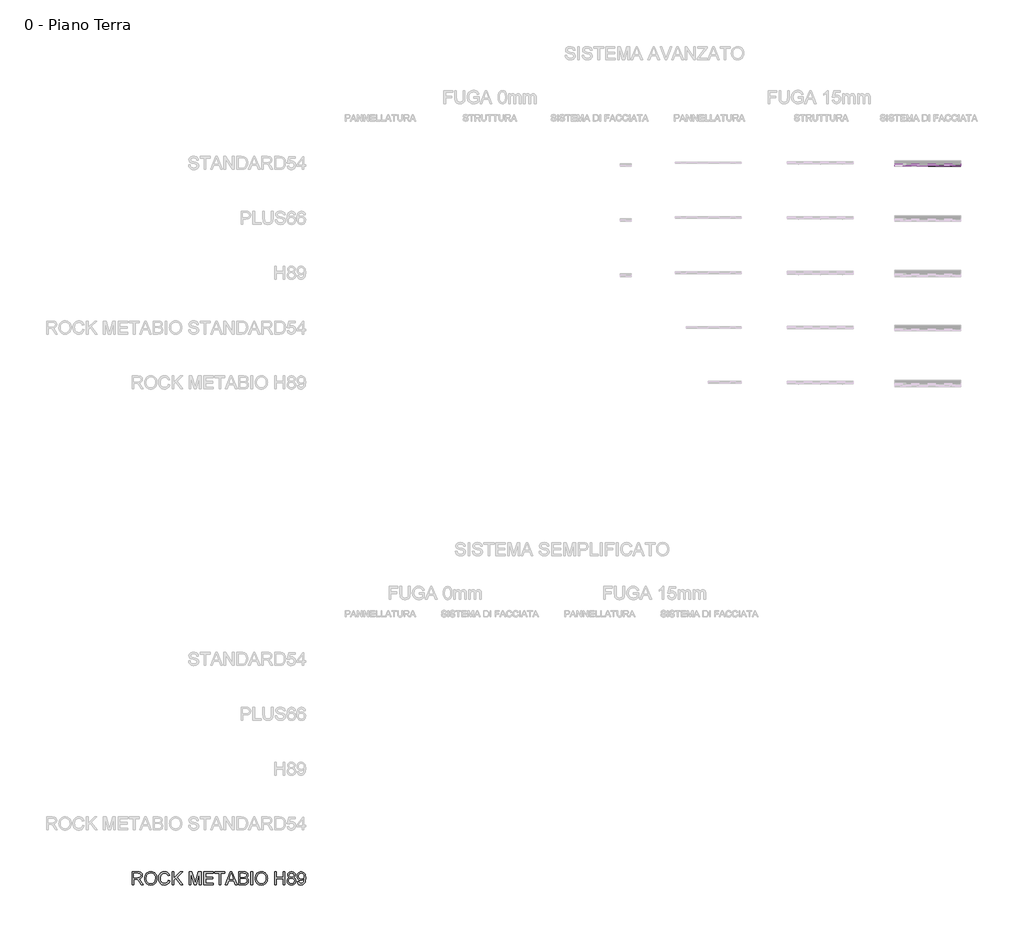
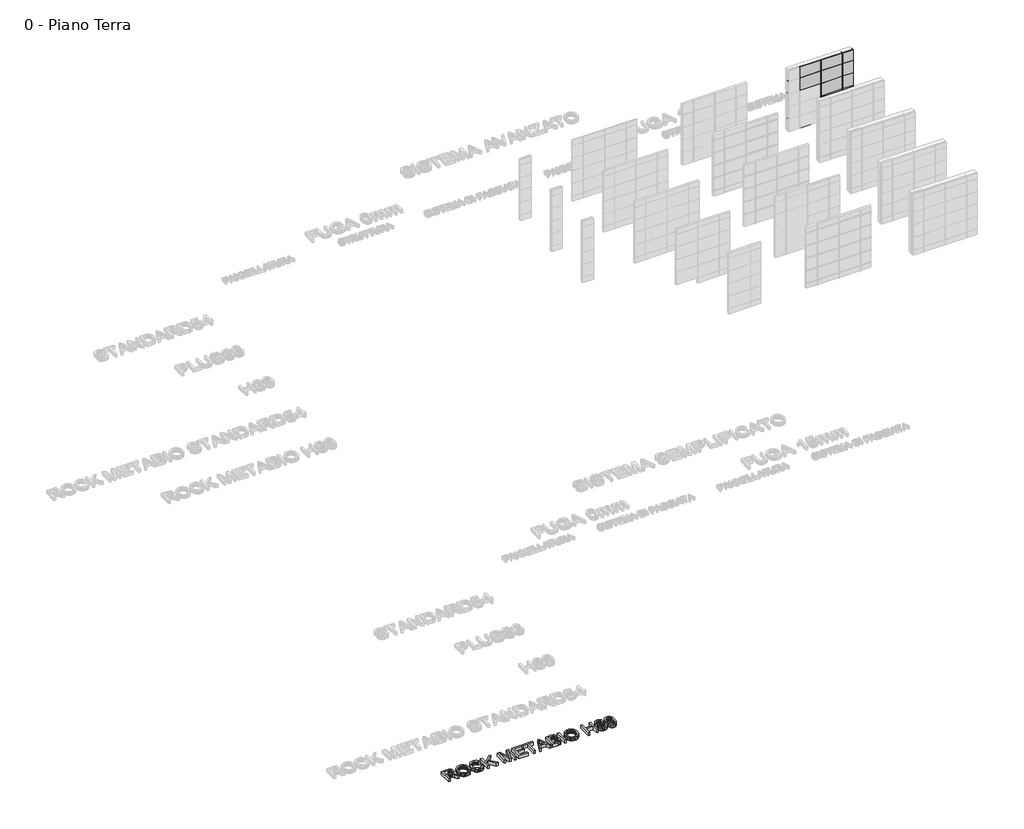
# One storey, part 8 of 17: 20 plates, 2 members, 1 proxy.
"""IFC4 building model written with IfcOpenShell, lengths in millimetres."""

import ifcopenshell
import ifcopenshell.guid

model = None  # the IFC model being written
_history = None  # IfcOwnerHistory: only IFC2X3 demands one
_inside = {}  # id of a spatial element -> (the spatial element, [elements in it])
_under = {}  # id of a project, library or spatial element -> (it, [spatial elements below it])
_declared = {}  # id of a project -> (the project, [libraries it declares])
_typed = {}  # id of a type object -> (the type object, [elements of that type])
_made_of = {}  # id of a material, layer set ... -> (it, [elements and type objects made of it])


def new_model(schema):
    """Start an empty IFC model of exactly this schema.

    Asked for "IFC4X3", IfcOpenShell would pick the latest addendum, in which some entities
    have other attributes; the version numbers below select the first issue.
    IFC2X3 requires an IfcOwnerHistory on every rooted entity: one is made here for all.
    """
    global model, _history
    if schema == "IFC4X3":
        model = ifcopenshell.file(schema_version=(4, 3, 0, 0))
    else:
        model = ifcopenshell.file(schema=schema)
    _inside.clear()
    _under.clear()
    _declared.clear()
    _typed.clear()
    _made_of.clear()
    _history = None
    if model.schema == "IFC2X3":
        org = make("IfcOrganization", Name="unknown")
        user = make(
            "IfcPersonAndOrganization",
            ThePerson=make("IfcPerson", FamilyName="unknown"),
            TheOrganization=org,
        )
        app = make(
            "IfcApplication",
            ApplicationDeveloper=org,
            Version="unknown",
            ApplicationFullName="unknown",
            ApplicationIdentifier="unknown",
        )
        _history = make(
            "IfcOwnerHistory",
            OwningUser=user,
            OwningApplication=app,
            ChangeAction="ADDED",
            CreationDate=0,
        )
    return model


def make(cls, **values):
    """One entity of the class cls with the attributes given. An attribute that is None is left unset."""
    return model.create_entity(
        cls, **{name: value for name, value in values.items() if value is not None}
    )


def rooted(cls, **values):
    """An entity with a GlobalId (a new one), such as an element, a storey or a relation."""
    return make(cls, GlobalId=ifcopenshell.guid.new(), OwnerHistory=_history, **values)


def si_unit(unit_type, name, prefix=None):
    """IfcSIUnit, for example si_unit("LENGTHUNIT", "METRE", prefix="MILLI")."""
    return make("IfcSIUnit", UnitType=unit_type, Prefix=prefix, Name=name)


def assignment(units):
    """IfcUnitAssignment: the units of a project."""
    return None if units is None else make("IfcUnitAssignment", Units=units)


def point(xyz):
    """IfcCartesianPoint."""
    return None if xyz is None else make("IfcCartesianPoint", Coordinates=xyz)


def direction(xyz):
    """IfcDirection."""
    return None if xyz is None else make("IfcDirection", DirectionRatios=xyz)


def frame(location, z_axis=None, x_axis=None):
    """IfcAxis2Placement3D, a coordinate frame: its origin and axes. An axis left out is left unset."""
    return make(
        "IfcAxis2Placement3D",
        Location=point(location),
        Axis=direction(z_axis),
        RefDirection=direction(x_axis),
    )


def origin():
    """The frame at (0, 0, 0) with its axes left unset."""
    return frame((0.0, 0.0, 0.0))


def origin_with_axes():
    """The frame at (0, 0, 0) with the z axis (0, 0, 1) and the x axis (1, 0, 0) written out."""
    return frame((0.0, 0.0, 0.0), z_axis=(0.0, 0.0, 1.0), x_axis=(1.0, 0.0, 0.0))


def place(relative_to, where):
    """IfcLocalPlacement: puts the frame where relative to a parent placement (None: the world)."""
    return make(
        "IfcLocalPlacement", PlacementRelTo=relative_to, RelativePlacement=where
    )


def context(
    kind, dimensions, precision=None, world=None, true_north=None, identifier=None
):
    """IfcGeometricRepresentationContext, for example the 3D "Model" context."""
    return make(
        "IfcGeometricRepresentationContext",
        ContextIdentifier=identifier,
        ContextType=kind,
        CoordinateSpaceDimension=dimensions,
        Precision=precision,
        WorldCoordinateSystem=world,
        TrueNorth=true_north,
    )


def project(units=None, contexts=None):
    """IfcProject with its units and contexts."""
    return rooted(
        "IfcProject",
        Name="project",
        RepresentationContexts=contexts,
        UnitsInContext=assignment(units),
    )


def spatial(cls, under=None, at=None, **own):
    """A site, building, storey or space (cls), placed at a placement, below another one or the project."""
    s = rooted(cls, ObjectPlacement=at, **own)
    if under is not None:
        _under.setdefault(under.id(), (under, []))[1].append(s)
    return s


def polyline(points):
    """IfcPolyline through the points."""
    return make("IfcPolyline", Points=[point(p) for p in points])


def outline(outer, holes=None, kind="AREA"):
    """IfcArbitraryClosedProfileDef: a profile drawn as a closed curve; with holes, ...WithVoids."""
    if holes is None:
        return make("IfcArbitraryClosedProfileDef", ProfileType=kind, OuterCurve=outer)
    return make(
        "IfcArbitraryProfileDefWithVoids",
        ProfileType=kind,
        OuterCurve=outer,
        InnerCurves=holes,
    )


def extrude(swept, where, along, depth):
    """IfcExtrudedAreaSolid: the profile swept, set in the frame where, extruded along a direction by depth."""
    return make(
        "IfcExtrudedAreaSolid",
        SweptArea=swept,
        Position=where,
        ExtrudedDirection=direction(along),
        Depth=depth,
    )


def shape(context_of_items, identifier, shape_type, items):
    """IfcShapeRepresentation: the items that make up one representation, for example the "Body"."""
    return make(
        "IfcShapeRepresentation",
        ContextOfItems=context_of_items,
        RepresentationIdentifier=identifier,
        RepresentationType=shape_type,
        Items=items,
    )


def source(mapping_origin, context_of_items, identifier, shape_type, items):
    """IfcRepresentationMap: a shape defined once, which mapped items show again and again."""
    return make(
        "IfcRepresentationMap",
        MappingOrigin=mapping_origin,
        MappedRepresentation=shape(context_of_items, identifier, shape_type, items),
    )


def transform(
    local_origin,
    x_axis=None,
    y_axis=None,
    z_axis=None,
    scale=None,
    scale2=None,
    scale3=None,
    uniform=True,
):
    """IfcCartesianTransformationOperator3D, or its non-uniform kind. x_axis, y_axis, z_axis: its Axis1, 2, 3."""
    if uniform:
        return make(
            "IfcCartesianTransformationOperator3D",
            Axis1=direction(x_axis),
            Axis2=direction(y_axis),
            LocalOrigin=point(local_origin),
            Scale=scale,
            Axis3=direction(z_axis),
        )
    return make(
        "IfcCartesianTransformationOperator3DnonUniform",
        Axis1=direction(x_axis),
        Axis2=direction(y_axis),
        LocalOrigin=point(local_origin),
        Scale=scale,
        Axis3=direction(z_axis),
        Scale2=scale2,
        Scale3=scale3,
    )


def mapped(mapping_source, mapping_target):
    """IfcMappedItem: shows the shape of a source again, moved by a transform."""
    return make(
        "IfcMappedItem", MappingSource=mapping_source, MappingTarget=mapping_target
    )


def made_of(thing, what):
    """Note that an element or type object is made of a material, layer set ...; save() writes the relation."""
    if what is not None:
        _made_of.setdefault(what.id(), (what, []))[1].append(thing)
    return thing


def element(
    cls,
    number,
    at=None,
    inside=None,
    cuts=None,
    type_object=None,
    material=None,
    context=None,
    identifier="Body",
    shape_type=None,
    held_by="IfcProductDefinitionShape",
    body=None,
    shapes=None,
    **own,
):
    """One element of the class cls, such as IfcWall. Its Tag is "e" and its number.

    at: its placement. inside: the storey or other place that contains it. cuts: it is an
    opening in that element (IfcRelVoidsElement). A single representation is given by context,
    identifier, shape_type and body (its items); several are given by shapes. held_by: the class
    of the entity that holds the representations. save() writes the other relations.
    """
    e = rooted(cls, Tag="e%d" % number, ObjectPlacement=at, **own)
    if body is not None:
        shapes = [shape(context, identifier, shape_type, body)]
    if shapes is not None:
        e.Representation = make(held_by, Representations=shapes)
    if inside is not None:
        _inside.setdefault(inside.id(), (inside, []))[1].append(e)
    if cuts is not None:
        rooted(
            "IfcRelVoidsElement", RelatingBuildingElement=cuts, RelatedOpeningElement=e
        )
    if type_object is not None:
        _typed.setdefault(type_object.id(), (type_object, []))[1].append(e)
    return made_of(e, material)


def aggregate(whole, parts):
    """IfcRelAggregates: a whole, such as a stair, and the parts it consists of."""
    return rooted("IfcRelAggregates", RelatingObject=whole, RelatedObjects=parts)


def save(model, path):
    """Write the relations noted so far, then the file.

    IfcRelAggregates (storeys below a building ...), IfcRelContainedInSpatialStructure (elements
    in a storey), IfcRelDefinesByType, IfcRelAssociatesMaterial and IfcRelDeclares: one each for
    every whole, place, type object, material and project.
    """
    for whole, parts in _under.values():
        aggregate(whole, parts)
    for where, things in _inside.values():
        rooted(
            "IfcRelContainedInSpatialStructure",
            RelatedElements=things,
            RelatingStructure=where,
        )
    for kind, things in _typed.values():
        rooted("IfcRelDefinesByType", RelatedObjects=things, RelatingType=kind)
    for what, things in _made_of.values():
        rooted("IfcRelAssociatesMaterial", RelatedObjects=things, RelatingMaterial=what)
    for by, libraries in _declared.values():
        rooted("IfcRelDeclares", RelatingContext=by, RelatedDefinitions=libraries)
    model.write(path)


def montante_rettangolare_be4fdad3(model_context):
    return source(origin(), model_context, "Body", "SweptSolid", [
        extrude(outline(polyline([(-6.7536795, -50.84375), (-5.7536795, -56.24375), (5.7536795, -56.24375), (6.7536795, -50.84375), (12.5, -50.84375), (12.5, -51.75625), (7.5, -51.75625), (6.5, -57.15625), (-6.5, -57.15625), (-7.5, -51.75625), (-12.5, -51.75625), (-12.5, -50.84375), (-6.7536795, -50.84375)])), frame((0.0, 0.0, -3000.0), z_axis=(0.0, 0.0, 1.0), x_axis=(1.0, 0.0, 0.0)), (0.0, 0.0, 1.0), 3000.0),
    ])


def pannello_sistema_00b6f541(model_context):
    return source(origin(), model_context, "Body", "SweptSolid", [
        extrude(outline(polyline([(250.0, -27.0), (-250.0, -27.0), (-250.0, 27.0), (250.0, 27.0), (250.0, -27.0)])), origin_with_axes(), (0.0, 0.0, 1.0), 620.0),
    ])


def pannello_sistema_4082545d(model_context):
    return source(origin(), model_context, "Body", "SweptSolid", [
        extrude(outline(polyline([(500.0, -27.0), (-500.0, -27.0), (-500.0, 27.0), (500.0, 27.0), (500.0, -27.0)])), origin_with_axes(), (0.0, 0.0, 1.0), 620.0),
    ])


def pannello_sistema_5ee582f8(model_context):
    return source(origin(), model_context, "Body", "SweptSolid", [
        extrude(outline(polyline([(250.0, -27.0), (-250.0, -27.0), (-250.0, 27.0), (250.0, 27.0), (250.0, -27.0)])), origin_with_axes(), (0.0, 0.0, 1.0), 520.0),
    ])


def pannello_sistema_4fdbe985(model_context):
    return source(origin(), model_context, "Body", "SweptSolid", [
        extrude(outline(polyline([(500.0, -27.0), (-500.0, -27.0), (-500.0, 27.0), (500.0, 27.0), (500.0, -27.0)])), origin_with_axes(), (0.0, 0.0, 1.0), 520.0),
    ])


def pannello_sistema_vuoto_vuoto_584d6331(model_context):
    return source(origin(), model_context, "Body", "SweptSolid", [
        extrude(outline(polyline([(1500.0, -50.0), (-1500.0, -50.0), (-1500.0, 50.0), (1500.0, 50.0), (1500.0, -50.0)])), origin_with_axes(), (0.0, 0.0, 1.0), 618.6726296),
    ])


def pannello_sistema_vuoto_vuoto_2b68757e(model_context):
    return source(origin(), model_context, "Body", "SweptSolid", [
        extrude(outline(polyline([(1500.0, -50.0), (-1500.0, -50.0), (-1500.0, 50.0), (1500.0, 50.0), (1500.0, -50.0)])), origin_with_axes(), (0.0, 0.0, 1.0), 520.0),
    ])


def pannello_sistema_vuoto_vuoto_fd30dec9(model_context):
    return source(origin(), model_context, "Body", "SweptSolid", [
        extrude(outline(polyline([(246.4577546, -50.0), (-246.4577546, -50.0), (-246.4577546, 50.0), (246.4577546, 50.0), (246.4577546, -50.0)])), origin_with_axes(), (0.0, 0.0, 1.0), 3000.0),
    ])


def pannello_sistema_vuoto_vuoto_75dea2dc(model_context):
    return source(origin(), model_context, "Body", "SweptSolid", [
        extrude(outline(polyline([(492.9155093, -50.0), (-492.9155093, -50.0), (-492.9155093, 50.0), (492.9155093, 50.0), (492.9155093, -50.0)])), origin_with_axes(), (0.0, 0.0, 1.0), 3000.0),
    ])


model = new_model("IFC4")

# Units and contexts
model_context = context("Model", 3, world=origin())
ifc_project = project(units=[si_unit("LENGTHUNIT", "METRE", prefix="MILLI")], contexts=[model_context])

# Site, building, storey
site = spatial("IfcSite", under=ifc_project)
building = spatial("IfcBuilding", under=site)
storey = spatial("IfcBuildingStorey", under=building, Name="0 - Piano Terra", Elevation=0.0)

# Proxy
placement = place(None, origin())
element("IfcBuildingElementProxy", 1, Name="Testo modello 1", ObjectType="Testo modello 1", at=placement, inside=storey, context=model_context, shape_type="SweptSolid", body=[
    extrude(outline(polyline([(-22293.5517034, -21535.9482618), (-22293.5517034, -20945.179031), (-22038.9843957, -20945.179031), (-21970.5649246, -20949.163406), (-21920.7872803, -20961.116531), (-21901.5775448, -20970.6177329), (-21884.4050688, -20983.1838387), (-21869.2698524, -20998.8148483), (-21856.1718957, -21017.5107618), (-21845.6024847, -21038.2664709), (-21838.0529053, -21060.0768675), (-21832.0132419, -21106.8617233), (-21834.5147443, -21137.2042714), (-21842.0192515, -21165.0588387), (-21854.5267635, -21190.4254252), (-21872.0372803, -21213.304031), (-21894.7761625, -21232.9644877), (-21922.9687707, -21248.6766271), (-21956.6151048, -21260.4404493), (-21995.7151649, -21268.2559541), (-21971.3762226, -21284.1573964), (-21953.7440111, -21299.8424925), (-21893.8882419, -21375.8521079), (-21795.3786265, -21535.9482618), (-21881.1959342, -21535.9482618), (-21958.0709342, -21413.4963387), (-22013.5997803, -21332.4386464), (-22034.2428092, -21308.8028291), (-22052.6142034, -21294.1453771), (-22087.7343957, -21280.0828771), (-22130.5709342, -21277.4867233), (-22219.7055496, -21277.4867233), (-22219.7055496, -21535.9482618), (-22293.5517034, -21535.9482618)]), holes=[polyline([(-22219.7055496, -21203.6405695), (-22054.417088, -21203.6405695), (-22006.9471361, -21201.0263868), (-21970.1142034, -21193.1838387), (-21942.385838, -21179.5900887), (-21922.229588, -21159.7223002), (-21909.9519438, -21135.6898483), (-21905.8593957, -21109.6021079), (-21907.8110183, -21090.7168916), (-21913.6658861, -21073.5804733), (-21923.4239991, -21058.1928531), (-21937.0853573, -21044.554031), (-21954.9654654, -21033.3851608), (-21977.3798284, -21025.4073964), (-22004.3284462, -21020.6207377), (-22035.8113188, -21019.0251848), (-22219.7055496, -21019.0251848), (-22219.7055496, -21203.6405695)])]), origin_with_axes(), (0.0, 0.0, 1.0), 150.0),
    extrude(outline(polyline([(-21730.4747803, -21248.3521079), (-21725.5529053, -21179.0582377), (-21710.7872803, -21117.7150887), (-21686.1779053, -21064.3226608), (-21651.7247803, -21018.8809541), (-21609.4922082, -20982.5979012), (-21561.5444919, -20956.6814348), (-21507.8816313, -20941.131555), (-21448.5036265, -20935.9482618), (-21408.7590351, -20938.382156), (-21371.0156457, -20945.6838387), (-21335.2734582, -20957.8533098), (-21301.5324726, -20974.8905695), (-21270.7392034, -20996.2817954), (-21243.8401649, -21021.5131656), (-21220.8353573, -21050.58468), (-21201.7247803, -21083.4963387), (-21186.7067515, -21119.4999445), (-21175.979588, -21157.8473002), (-21169.5432899, -21198.538406), (-21167.3978573, -21241.5732618), (-21169.6559702, -21285.1760262), (-21176.4303092, -21326.4170118), (-21187.7208741, -21365.2962185), (-21203.5276649, -21401.8136464), (-21223.4765832, -21435.0047521), (-21247.1935303, -21463.9049925), (-21274.6785063, -21488.5143675), (-21305.9315111, -21508.8328771), (-21339.722076, -21524.7343195), (-21374.8197323, -21536.0924925), (-21411.2244798, -21542.9073964), (-21448.9363188, -21545.179031), (-21489.3750207, -21542.6685142), (-21527.6142034, -21535.1369637), (-21563.6538669, -21522.5843796), (-21597.4940111, -21505.0107618), (-21628.2512226, -21483.0966993), (-21655.042088, -21457.522781), (-21677.8666073, -21428.289007), (-21696.7247803, -21395.3953771), (-21711.4904053, -21360.1625046), (-21722.0372803, -21323.9110021), (-21728.3654053, -21286.6408699), (-21730.4747803, -21248.3521079)]), holes=[polyline([(-21656.6286265, -21249.0732618), (-21652.9372202, -21298.0305935), (-21641.8630015, -21341.4891271), (-21623.4059702, -21379.4488627), (-21597.5661265, -21411.9098002), (-21566.1553693, -21437.9073964), (-21530.9855976, -21456.4771079), (-21492.0568116, -21467.6189348), (-21449.3690111, -21471.3328771), (-21405.9510423, -21467.5828771), (-21366.5625207, -21456.3328771), (-21331.2034462, -21437.5828771), (-21299.8738188, -21411.3328771), (-21274.2232779, -21378.1868435), (-21255.901463, -21338.7487425), (-21244.9083741, -21293.0185743), (-21241.2440111, -21240.9963387), (-21242.8125207, -21207.2012666), (-21247.5180496, -21175.6237425), (-21255.3605976, -21146.2637666), (-21266.3401649, -21119.1213387), (-21280.3350568, -21094.5525286), (-21297.2235784, -21072.913406), (-21317.0057298, -21054.2039709), (-21339.6815111, -21038.4242233), (-21364.5477972, -21025.8986824), (-21390.901463, -21016.9518675), (-21418.7425087, -21011.5837786), (-21448.0709342, -21009.7944156), (-21489.2758621, -21013.2424324), (-21527.5060303, -21023.5864829), (-21562.761439, -21040.8265671), (-21595.042088, -21064.9626848), (-21621.9861986, -21097.1576969), (-21641.2319919, -21138.5744637), (-21652.7794678, -21189.2129853), (-21656.6286265, -21249.0732618)])]), origin_with_axes(), (0.0, 0.0, 1.0), 150.0),
    extrude(outline(polyline([(-20650.4747803, -21325.9482618), (-20576.6286265, -21344.9867233), (-20591.2410063, -21390.9107017), (-20610.7031457, -21431.038406), (-20635.0150448, -21465.3698363), (-20664.1767034, -21493.9049925), (-20697.5300688, -21516.3373844), (-20734.417088, -21532.3605214), (-20774.8377611, -21541.9744036), (-20818.792088, -21545.179031), (-20863.8236385, -21542.7541512), (-20904.4471361, -21535.4795118), (-20940.6625808, -21523.3551127), (-20972.4699726, -21506.3809541), (-21000.3065111, -21484.8094396), (-21024.6093957, -21458.8929733), (-21045.3786265, -21428.631555), (-21062.6142034, -21394.0251848), (-21076.1493597, -21356.570257), (-21085.8173284, -21317.7631656), (-21091.6181097, -21277.6039108), (-21093.5517034, -21236.0924925), (-21091.3657058, -21191.5522281), (-21084.807713, -21149.9506656), (-21073.877725, -21111.287805), (-21058.5757419, -21075.5636464), (-21039.2443116, -21043.3686344), (-21016.2259823, -21015.2932137), (-20989.5207539, -20991.3373844), (-20959.1286265, -20971.5011464), (-20926.0817515, -20955.9467594), (-20891.4122803, -20944.8364829), (-20855.120213, -20938.1703171), (-20817.2055496, -20935.9482618), (-20774.9684702, -20938.8238627), (-20736.2380015, -20947.4506656), (-20701.0141433, -20961.8286704), (-20669.2968957, -20981.9578771), (-20641.6090952, -21007.3064348), (-20618.4735784, -21037.3424925), (-20599.8903452, -21072.0660502), (-20585.8593957, -21111.4771079), (-20659.7055496, -21129.0732618), (-20671.3341553, -21100.0332978), (-20685.3065111, -21075.2210983), (-20701.6226169, -21054.6366632), (-20720.2824726, -21038.2799925), (-20741.3942515, -21025.8175526), (-20765.0661265, -21016.9158098), (-20791.2980976, -21011.5747642), (-20820.0901649, -21009.7944156), (-20853.2181698, -21011.7685743), (-20883.5156457, -21017.6910502), (-20910.9825928, -21027.5618435), (-20935.6190111, -21041.3809541), (-20957.1139029, -21058.5263868), (-20975.1562707, -21078.3761464), (-20989.7461145, -21100.9302329), (-21000.8834342, -21126.1886464), (-21015.0000207, -21180.2391271), (-21019.7055496, -21235.9482618), (-21014.1346361, -21304.1694156), (-21007.1709943, -21334.8184541), (-20997.4218957, -21363.1598002), (-20984.729588, -21388.6300526), (-20968.9363188, -21410.6658098), (-20950.042088, -21429.2670719), (-20928.0468957, -21444.4338387), (-20904.018951, -21456.202168), (-20879.026463, -21464.6081175), (-20853.0694318, -21469.6516872), (-20826.1478573, -21471.3328771), (-20794.0429895, -21469.0432137), (-20764.5072323, -21462.1742233), (-20737.5405856, -21450.725906), (-20713.1430496, -21434.6982618), (-20691.8915472, -21414.163406), (-20674.3630015, -21389.1934541), (-20660.5574125, -21359.788406), (-20650.4747803, -21325.9482618)])), origin_with_axes(), (0.0, 0.0, 1.0), 150.0),
    extrude(outline(polyline([(-20475.0901649, -21535.9482618), (-20475.0901649, -20945.179031), (-20401.2440111, -20945.179031), (-20401.2440111, -21234.3617233), (-20098.3593957, -20945.179031), (-19995.0901649, -20945.179031), (-20249.3690111, -21188.0636464), (-19985.8593957, -21535.9482618), (-20076.1478573, -21535.9482618), (-20301.7247803, -21237.9674925), (-20401.2440111, -21332.8713387), (-20401.2440111, -21535.9482618), (-20475.0901649, -21535.9482618)])), origin_with_axes(), (0.0, 0.0, 1.0), 150.0),
    extrude(outline(polyline([(-19699.7055496, -21535.9482618), (-19699.7055496, -20945.179031), (-19572.6382419, -20945.179031), (-19451.7728573, -21361.5732618), (-19427.3978573, -21448.5444156), (-19401.0036265, -21354.3617233), (-19282.1574726, -20945.179031), (-19155.0901649, -20945.179031), (-19155.0901649, -21535.9482618), (-19228.9363188, -21535.9482618), (-19228.9363188, -21019.0251848), (-19377.3497803, -21535.9482618), (-19477.4459342, -21535.9482618), (-19625.8593957, -21019.0251848), (-19625.8593957, -21535.9482618), (-19699.7055496, -21535.9482618)])), origin_with_axes(), (0.0, 0.0, 1.0), 150.0),
    extrude(outline(polyline([(-19025.8593957, -21535.9482618), (-19025.8593957, -20945.179031), (-18601.2440111, -20945.179031), (-18601.2440111, -21019.0251848), (-18952.0132419, -21019.0251848), (-18952.0132419, -21194.4098002), (-18619.7055496, -21194.4098002), (-18619.7055496, -21268.2559541), (-18952.0132419, -21268.2559541), (-18952.0132419, -21462.1021079), (-18592.0132419, -21462.1021079), (-18592.0132419, -21535.9482618), (-19025.8593957, -21535.9482618)])), origin_with_axes(), (0.0, 0.0, 1.0), 150.0),
    extrude(outline(polyline([(-18333.5517034, -21535.9482618), (-18333.5517034, -21019.0251848), (-18527.3978573, -21019.0251848), (-18527.3978573, -20945.179031), (-18065.8593957, -20945.179031), (-18065.8593957, -21019.0251848), (-18259.7055496, -21019.0251848), (-18259.7055496, -21535.9482618), (-18333.5517034, -21535.9482618)])), origin_with_axes(), (0.0, 0.0, 1.0), 150.0),
    extrude(outline(polyline([(-18051.5805496, -21535.9482618), (-17815.7632419, -20945.179031), (-17752.8786265, -20945.179031), (-17517.0613188, -21535.9482618), (-17595.0901649, -21535.9482618), (-17662.7343957, -21351.3328771), (-17906.0517034, -21351.3328771), (-17973.5517034, -21535.9482618), (-18051.5805496, -21535.9482618)]), holes=[polyline([(-17878.9363188, -21277.4867233), (-17689.7055496, -21277.4867233), (-17742.9267034, -21132.2463387), (-17784.3209342, -21019.0251848), (-17821.0997803, -21119.554031), (-17878.9363188, -21277.4867233)])]), origin_with_axes(), (0.0, 0.0, 1.0), 150.0),
    extrude(outline(polyline([(-17438.167088, -21535.9482618), (-17438.167088, -20945.179031), (-17212.7343957, -20945.179031), (-17150.7331938, -20949.5239829), (-17102.3257419, -20962.5588387), (-17065.2223765, -20984.6081175), (-17050.0511024, -20999.1348603), (-17037.1334342, -21015.9963387), (-17019.4471361, -21052.9194156), (-17013.5517034, -21091.5732618), (-17018.5096361, -21127.1441752), (-17033.3834342, -21160.5876848), (-17058.2812707, -21189.8485021), (-17093.3113188, -21212.8713387), (-17071.0231577, -21222.3725406), (-17051.4663669, -21234.7223002), (-17034.6409462, -21249.9206175), (-17020.5468957, -21267.9674925), (-17009.409576, -21288.3130454), (-17001.4543476, -21310.4073964), (-16996.6812106, -21334.2505454), (-16995.0901649, -21359.8424925), (-16999.4351169, -21401.038406), (-17012.4699726, -21439.241531), (-17031.9230976, -21471.7295118), (-17055.5228573, -21495.7799925), (-17084.4230976, -21513.1958579), (-17119.7776649, -21525.7799925), (-17162.7404053, -21533.4061945), (-17214.4651649, -21535.9482618), (-17438.167088, -21535.9482618)]), holes=[polyline([(-17364.3209342, -21462.1021079), (-17212.8786265, -21462.1021079), (-17158.0709342, -21459.2174925), (-17132.6322323, -21452.8172521), (-17111.7007419, -21443.1357618), (-17094.6815111, -21429.2715791), (-17080.979588, -21410.3232618), (-17071.9471361, -21387.1381656), (-17068.9363188, -21360.5636464), (-17072.4699726, -21329.6982618), (-17083.0709342, -21303.1598002), (-17101.5865592, -21282.4085983), (-17128.8642034, -21268.9049925), (-17167.5000207, -21261.4951368), (-17220.0901649, -21259.0251848), (-17364.3209342, -21259.0251848), (-17364.3209342, -21462.1021079)]), polyline([(-17364.3209342, -21185.179031), (-17229.4651649, -21185.179031), (-17182.3017034, -21183.5924925), (-17150.7151649, -21178.8328771), (-17123.1490592, -21167.8893675), (-17103.3353573, -21151.5011464), (-17091.3822323, -21129.9206175), (-17087.3978573, -21103.4001848), (-17091.1117996, -21077.6549925), (-17102.2536265, -21055.2271079), (-17120.3185303, -21037.7210983), (-17144.8017034, -21026.741531), (-17182.3738188, -21020.9542714), (-17239.7055496, -21019.0251848), (-17364.3209342, -21019.0251848), (-17364.3209342, -21185.179031)])]), origin_with_axes(), (0.0, 0.0, 1.0), 150.0),
    extrude(outline(polyline([(-16884.3209342, -21535.9482618), (-16884.3209342, -20945.179031), (-16810.4747803, -20945.179031), (-16810.4747803, -21535.9482618), (-16884.3209342, -21535.9482618)])), origin_with_axes(), (0.0, 0.0, 1.0), 150.0),
    extrude(outline(polyline([(-16690.4747803, -21248.3521079), (-16685.5529053, -21179.0582377), (-16670.7872803, -21117.7150887), (-16646.1779053, -21064.3226608), (-16611.7247803, -21018.8809541), (-16569.4922082, -20982.5979012), (-16521.5444919, -20956.6814348), (-16467.8816313, -20941.131555), (-16408.5036265, -20935.9482618), (-16368.7590351, -20938.382156), (-16331.0156457, -20945.6838387), (-16295.2734582, -20957.8533098), (-16261.5324726, -20974.8905695), (-16230.7392034, -20996.2817954), (-16203.8401649, -21021.5131656), (-16180.8353573, -21050.58468), (-16161.7247803, -21083.4963387), (-16146.7067515, -21119.4999445), (-16135.979588, -21157.8473002), (-16129.5432899, -21198.538406), (-16127.3978573, -21241.5732618), (-16129.6559702, -21285.1760262), (-16136.4303092, -21326.4170118), (-16147.7208741, -21365.2962185), (-16163.5276649, -21401.8136464), (-16183.4765832, -21435.0047521), (-16207.1935303, -21463.9049925), (-16234.6785063, -21488.5143675), (-16265.9315111, -21508.8328771), (-16299.722076, -21524.7343195), (-16334.8197323, -21536.0924925), (-16371.2244798, -21542.9073964), (-16408.9363188, -21545.179031), (-16449.3750207, -21542.6685142), (-16487.6142034, -21535.1369637), (-16523.6538669, -21522.5843796), (-16557.4940111, -21505.0107618), (-16588.2512226, -21483.0966993), (-16615.042088, -21457.522781), (-16637.8666073, -21428.289007), (-16656.7247803, -21395.3953771), (-16671.4904053, -21360.1625046), (-16682.0372803, -21323.9110021), (-16688.3654053, -21286.6408699), (-16690.4747803, -21248.3521079)]), holes=[polyline([(-16616.6286265, -21249.0732618), (-16612.9372202, -21298.0305935), (-16601.8630015, -21341.4891271), (-16583.4059702, -21379.4488627), (-16557.5661265, -21411.9098002), (-16526.1553693, -21437.9073964), (-16490.9855976, -21456.4771079), (-16452.0568116, -21467.6189348), (-16409.3690111, -21471.3328771), (-16365.9510423, -21467.5828771), (-16326.5625207, -21456.3328771), (-16291.2034462, -21437.5828771), (-16259.8738188, -21411.3328771), (-16234.2232779, -21378.1868435), (-16215.901463, -21338.7487425), (-16204.9083741, -21293.0185743), (-16201.2440111, -21240.9963387), (-16202.8125207, -21207.2012666), (-16207.5180496, -21175.6237425), (-16215.3605976, -21146.2637666), (-16226.3401649, -21119.1213387), (-16240.3350568, -21094.5525286), (-16257.2235784, -21072.913406), (-16277.0057298, -21054.2039709), (-16299.6815111, -21038.4242233), (-16324.5477972, -21025.8986824), (-16350.901463, -21016.9518675), (-16378.7425087, -21011.5837786), (-16408.0709342, -21009.7944156), (-16449.2758621, -21013.2424324), (-16487.5060303, -21023.5864829), (-16522.761439, -21040.8265671), (-16555.042088, -21064.9626848), (-16581.9861986, -21097.1576969), (-16601.2319919, -21138.5744637), (-16612.7794678, -21189.2129853), (-16616.6286265, -21249.0732618)])]), origin_with_axes(), (0.0, 0.0, 1.0), 150.0),
    extrude(outline(polyline([(-15795.0901649, -21535.9482618), (-15795.0901649, -20945.179031), (-15721.2440111, -20945.179031), (-15721.2440111, -21185.179031), (-15407.3978573, -21185.179031), (-15407.3978573, -20945.179031), (-15333.5517034, -20945.179031), (-15333.5517034, -21535.9482618), (-15407.3978573, -21535.9482618), (-15407.3978573, -21259.0251848), (-15721.2440111, -21259.0251848), (-15721.2440111, -21535.9482618), (-15795.0901649, -21535.9482618)])), origin_with_axes(), (0.0, 0.0, 1.0), 150.0),
    extrude(outline(polyline([(-15124.417088, -21210.5636464), (-15163.9543476, -21191.0924925), (-15179.3014029, -21178.7607618), (-15191.7007419, -21164.6982618), (-15208.088963, -21131.9218195), (-15213.5517034, -21093.304031), (-15210.5769438, -21063.1868435), (-15201.6526649, -21035.5756656), (-15186.7788669, -21010.4704973), (-15165.9555496, -20987.8713387), (-15140.183314, -20969.1934541), (-15110.4627611, -20955.8521079), (-15076.7938909, -20947.8473002), (-15039.1767034, -20945.179031), (-15001.3792274, -20947.9104012), (-14967.4579534, -20956.1045118), (-14937.4128813, -20969.7613627), (-14911.2440111, -20988.8809541), (-14890.042088, -21011.9218195), (-14874.8978573, -21037.3424925), (-14865.8113188, -21065.1429733), (-14862.7824726, -21095.3232618), (-14868.1730976, -21132.6970598), (-14884.3449726, -21164.9146079), (-14911.4783861, -21191.1465791), (-14949.7536265, -21210.5636464), (-14925.4822923, -21220.889668), (-14904.3029053, -21233.9831175), (-14886.2154654, -21249.8439949), (-14871.2199726, -21268.4723002), (-14859.4516433, -21289.4533699), (-14851.0456938, -21312.3725406), (-14846.0021241, -21337.2298122), (-14844.3209342, -21364.0251848), (-14847.6562707, -21400.8581175), (-14857.6622803, -21434.6261464), (-14874.338963, -21465.3292714), (-14897.6863188, -21492.9674925), (-14926.4783861, -21515.8100406), (-14959.4892034, -21532.1261464), (-14996.7187707, -21541.9158098), (-15038.167088, -21545.179031), (-15079.6154053, -21541.9022882), (-15116.8449726, -21532.0720598), (-15149.8557899, -21515.6883459), (-15178.6478573, -21492.7511464), (-15201.995213, -21464.9191151), (-15218.6718957, -21433.850906), (-15228.6779053, -21399.546519), (-15232.0132419, -21362.0059541), (-15230.2644438, -21333.9891271), (-15225.0180496, -21308.3521079), (-15216.2740592, -21285.0948964), (-15204.0324726, -21264.2174925), (-15188.5637226, -21246.0985021), (-15170.1382419, -21231.116531), (-15148.7560303, -21219.2715791), (-15124.417088, -21210.5636464)]), holes=[polyline([(-15139.7055496, -21095.4674925), (-15138.0694318, -21112.3965791), (-15133.1610784, -21127.7030695), (-15124.9804895, -21141.3869637), (-15113.5276649, -21153.4482618), (-15098.9468356, -21163.2920118), (-15081.3822323, -21170.3232618), (-15037.3017034, -21175.9482618), (-14994.2488188, -21170.3593195), (-14976.995213, -21163.3731416), (-14962.5901649, -21153.5924925), (-14951.2319919, -21141.7835983), (-14943.1190111, -21128.7126848), (-14938.2512226, -21114.3797521), (-14936.6286265, -21098.7848002), (-14938.3053092, -21082.5813747), (-14943.3353573, -21067.7210983), (-14951.7187707, -21054.2039709), (-14963.4555496, -21042.0299925), (-14978.1851169, -21031.9653892), (-14995.5468957, -21024.7763868), (-15015.5408861, -21020.4629853), (-15038.167088, -21019.0251848), (-15081.057713, -21024.6501848), (-15098.4330135, -21031.6814348), (-15113.0949726, -21041.5251848), (-15124.7371, -21053.3340791), (-15133.0529053, -21066.2607618), (-15138.0423885, -21080.3052329), (-15139.7055496, -21095.4674925)]), polyline([(-15158.167088, -21359.4098002), (-15155.0841553, -21387.6610021), (-15145.8353573, -21415.0107618), (-15128.7620399, -21438.8629252), (-15102.2055496, -21456.6213387), (-15070.4026649, -21467.6549925), (-15037.5901649, -21471.3328771), (-15010.8894438, -21469.3992834), (-14987.3257419, -21463.5985021), (-14966.8990592, -21453.9305334), (-14949.6093957, -21440.3953771), (-14935.8533861, -21423.8764469), (-14926.0276649, -21405.257156), (-14920.1322323, -21384.5375046), (-14918.167088, -21361.7174925), (-14920.1953332, -21338.5323964), (-14926.2800688, -21317.4386464), (-14936.4212948, -21298.4362425), (-14950.6190111, -21281.5251848), (-14968.3774246, -21267.6429733), (-14989.2007419, -21257.7271079), (-15013.088963, -21251.7775887), (-15040.042088, -21249.7944156), (-15066.3506818, -21251.7505454), (-15089.6033861, -21257.6189348), (-15109.800201, -21267.3995839), (-15126.9411265, -21281.0924925), (-15140.6024847, -21297.7241031), (-15150.3605976, -21316.3208579), (-15156.2154654, -21336.882757), (-15158.167088, -21359.4098002)])]), origin_with_axes(), (0.0, 0.0, 1.0), 150.0),
    extrude(outline(polyline([(-14770.4747803, -21388.2559541), (-14696.6286265, -21379.0251848), (-14684.0084342, -21420.9422521), (-14674.7235784, -21436.8842594), (-14663.4555496, -21449.4819156), (-14650.3305496, -21459.0417113), (-14635.4747803, -21465.8701368), (-14600.5709342, -21471.3328771), (-14569.2548284, -21467.8172521), (-14540.7872803, -21457.2703771), (-14517.1334342, -21440.8460983), (-14500.2584342, -21419.6982618), (-14487.4759823, -21391.897781), (-14476.0997803, -21355.5155695), (-14468.0949726, -21313.7607618), (-14465.4267034, -21269.8424925), (-14465.8593957, -21255.4194156), (-14491.4423284, -21286.6453771), (-14524.9218957, -21311.3809541), (-14563.8822323, -21327.4987425), (-14605.9074726, -21332.8713387), (-14640.9871, -21329.5900887), (-14673.245213, -21319.7463387), (-14702.6818116, -21303.3400887), (-14729.2968957, -21280.3713387), (-14751.3506818, -21252.039007), (-14767.1033861, -21219.5420118), (-14776.5550087, -21182.8803531), (-14779.7055496, -21142.054031), (-14776.4017635, -21099.866531), (-14766.4904053, -21062.0059541), (-14749.971475, -21028.4723002), (-14726.8449726, -20999.2655695), (-14698.7425087, -20975.6027089), (-14667.2956938, -20958.7006656), (-14632.5045279, -20948.5594396), (-14594.3690111, -20945.179031), (-14566.2124606, -20947.1081175), (-14539.2908861, -20952.8953771), (-14513.6042875, -20962.5408098), (-14489.1526649, -20976.0444156), (-14466.7518236, -20993.1177329), (-14447.2175688, -21013.4723002), (-14430.5499005, -21037.1081175), (-14416.7488188, -21064.0251848), (-14405.9270039, -21095.7739829), (-14398.1971361, -21133.9049925), (-14393.5592154, -21178.4182137), (-14392.0132419, -21229.3136464), (-14393.5547082, -21282.764668), (-14398.1791073, -21330.4735021), (-14405.886439, -21372.4401488), (-14416.6767034, -21408.6646079), (-14430.5093356, -21440.030293), (-14447.3437707, -21467.4206175), (-14467.1800087, -21490.8355815), (-14490.0180496, -21510.2751848), (-14515.3981577, -21525.5456175), (-14542.8605976, -21536.4530695), (-14572.4053693, -21542.9975406), (-14604.0324726, -21545.179031), (-14637.1965351, -21542.6054132), (-14667.1694919, -21534.8845598), (-14693.9513428, -21522.0164709), (-14717.542088, -21504.0011464), (-14737.3467755, -21481.3253651), (-14752.7704534, -21454.475906), (-14763.8131217, -21423.452769), (-14770.4747803, -21388.2559541)]), holes=[polyline([(-14465.8593957, -21140.3232618), (-14467.8515832, -21113.8569156), (-14473.8281457, -21090.2751848), (-14483.7890832, -21069.5780695), (-14497.7343957, -21051.7655695), (-14514.9789871, -21037.4416512), (-14534.8377611, -21027.210281), (-14557.3107178, -21021.0714589), (-14582.3978573, -21019.0251848), (-14608.2872803, -21021.2292113), (-14631.7247803, -21027.8412906), (-14652.7103573, -21038.8614228), (-14671.2440111, -21054.2896079), (-14686.3882419, -21073.2244036), (-14697.2055496, -21094.7643675), (-14703.6959342, -21118.9094997), (-14705.8593957, -21145.6598002), (-14703.8131217, -21169.6516872), (-14697.6742996, -21191.2908098), (-14687.4429294, -21210.577168), (-14673.1190111, -21227.5107618), (-14655.2974967, -21241.2983219), (-14634.573338, -21251.1465791), (-14610.9465351, -21257.0555334), (-14584.417088, -21259.0251848), (-14559.6770039, -21257.0555334), (-14537.2355976, -21251.1465791), (-14517.0928693, -21241.2983219), (-14499.2488188, -21227.5107618), (-14484.6409462, -21210.2436344), (-14474.2067515, -21189.9566752), (-14467.9462347, -21166.6498844), (-14465.8593957, -21140.3232618)])]), origin_with_axes(), (0.0, 0.0, 1.0), 150.0),
])

# Members
montante_rettangolare_shape = montante_rettangolare_be4fdad3(model_context)
element("IfcMember", 2, ObjectType="Montante rettangolare", at=placement, inside=storey, context=model_context, shape_type="MappedRepresentation", body=[
    mapped(montante_rettangolare_shape, transform((14954.4497012, 11264.0517382, 0.0), x_axis=(-1.0, 0.0, 0.0), y_axis=(0.0, 1.0, 0.0), z_axis=(0.0, 0.0, -1.0))),
])
element("IfcMember", 3, ObjectType="Montante rettangolare", at=placement, inside=storey, context=model_context, shape_type="MappedRepresentation", body=[
    mapped(montante_rettangolare_shape, transform((13954.4497012, 11264.0517382, 0.0), x_axis=(-1.0, 0.0, 0.0), y_axis=(0.0, 1.0, 0.0), z_axis=(0.0, 0.0, -1.0))),
])

# Plates
pannello_sistema_shape = pannello_sistema_00b6f541(model_context)
element("IfcPlate", 4, ObjectType="Pannello sistema", at=placement, inside=storey, context=model_context, shape_type="MappedRepresentation", body=[
    mapped(pannello_sistema_shape, transform((15204.4497012, 11234.0517382, 0.0), x_axis=(-1.0, 0.0, 0.0), y_axis=(0.0, -1.0, 0.0), z_axis=(0.0, 0.0, 1.0))),
])
element("IfcPlate", 5, ObjectType="Pannello sistema", at=placement, inside=storey, context=model_context, shape_type="MappedRepresentation", body=[
    mapped(pannello_sistema_shape, transform((15204.4497012, 11234.0517382, 620.0), x_axis=(-1.0, 0.0, 0.0), y_axis=(0.0, -1.0, 0.0), z_axis=(0.0, 0.0, 1.0))),
])
element("IfcPlate", 6, ObjectType="Pannello sistema", at=placement, inside=storey, context=model_context, shape_type="MappedRepresentation", body=[
    mapped(pannello_sistema_shape, transform((15204.4497012, 11234.0517382, 1240.0), x_axis=(-1.0, 0.0, 0.0), y_axis=(0.0, -1.0, 0.0), z_axis=(0.0, 0.0, 1.0))),
])
element("IfcPlate", 7, ObjectType="Pannello sistema", at=placement, inside=storey, context=model_context, shape_type="MappedRepresentation", body=[
    mapped(pannello_sistema_shape, transform((15204.4497012, 11234.0517382, 1860.0), x_axis=(-1.0, 0.0, 0.0), y_axis=(0.0, -1.0, 0.0), z_axis=(0.0, 0.0, 1.0))),
])
pannello_sistema_2_shape = pannello_sistema_4082545d(model_context)
element("IfcPlate", 8, ObjectType="Pannello sistema", at=placement, inside=storey, context=model_context, shape_type="MappedRepresentation", body=[
    mapped(pannello_sistema_2_shape, transform((14454.4497012, 11234.0517382, 0.0), x_axis=(-1.0, 0.0, 0.0), y_axis=(0.0, -1.0, 0.0), z_axis=(0.0, 0.0, 1.0))),
])
element("IfcPlate", 9, ObjectType="Pannello sistema", at=placement, inside=storey, context=model_context, shape_type="MappedRepresentation", body=[
    mapped(pannello_sistema_2_shape, transform((14454.4497012, 11234.0517382, 620.0), x_axis=(-1.0, 0.0, 0.0), y_axis=(0.0, -1.0, 0.0), z_axis=(0.0, 0.0, 1.0))),
])
element("IfcPlate", 10, ObjectType="Pannello sistema", at=placement, inside=storey, context=model_context, shape_type="MappedRepresentation", body=[
    mapped(pannello_sistema_2_shape, transform((14454.4497012, 11234.0517382, 1240.0), x_axis=(-1.0, 0.0, 0.0), y_axis=(0.0, -1.0, 0.0), z_axis=(0.0, 0.0, 1.0))),
])
element("IfcPlate", 11, ObjectType="Pannello sistema", at=placement, inside=storey, context=model_context, shape_type="MappedRepresentation", body=[
    mapped(pannello_sistema_2_shape, transform((14454.4497012, 11234.0517382, 1860.0), x_axis=(-1.0, 0.0, 0.0), y_axis=(0.0, -1.0, 0.0), z_axis=(0.0, 0.0, 1.0))),
])
element("IfcPlate", 12, ObjectType="Pannello sistema", at=placement, inside=storey, context=model_context, shape_type="MappedRepresentation", body=[
    mapped(pannello_sistema_2_shape, transform((13454.4497012, 11234.0517382, 1860.0), x_axis=(-1.0, 0.0, 0.0), y_axis=(0.0, -1.0, 0.0), z_axis=(0.0, 0.0, 1.0))),
])
pannello_sistema_3_shape = pannello_sistema_5ee582f8(model_context)
element("IfcPlate", 13, ObjectType="Pannello sistema", at=placement, inside=storey, context=model_context, shape_type="MappedRepresentation", body=[
    mapped(pannello_sistema_3_shape, transform((15204.4497012, 11234.0517382, 2480.0), x_axis=(-1.0, 0.0, 0.0), y_axis=(0.0, -1.0, 0.0), z_axis=(0.0, 0.0, 1.0))),
])
pannello_sistema_4_shape = pannello_sistema_4fdbe985(model_context)
element("IfcPlate", 14, ObjectType="Pannello sistema", at=placement, inside=storey, context=model_context, shape_type="MappedRepresentation", body=[
    mapped(pannello_sistema_4_shape, transform((14454.4497012, 11234.0517382, 2480.0), x_axis=(-1.0, 0.0, 0.0), y_axis=(0.0, -1.0, 0.0), z_axis=(0.0, 0.0, 1.0))),
])
element("IfcPlate", 15, ObjectType="Pannello sistema", at=placement, inside=storey, context=model_context, shape_type="MappedRepresentation", body=[
    mapped(pannello_sistema_4_shape, transform((13454.4497012, 11234.0517382, 2480.0), x_axis=(-1.0, 0.0, 0.0), y_axis=(0.0, -1.0, 0.0), z_axis=(0.0, 0.0, 1.0))),
])
pannello_sistema_vuoto_vuoto_shape = pannello_sistema_vuoto_vuoto_584d6331(model_context)
element("IfcPlate", 16, ObjectType="Pannello sistema vuoto : Vuoto", at=placement, inside=storey, context=model_context, shape_type="MappedRepresentation", body=[
    mapped(pannello_sistema_vuoto_vuoto_shape, transform((13954.4497012, 11264.0517382, 0.0), x_axis=(-1.0, 0.0, 0.0), y_axis=(0.0, -1.0, 0.0), z_axis=(0.0, 0.0, 1.0))),
])
element("IfcPlate", 17, ObjectType="Pannello sistema vuoto : Vuoto", at=placement, inside=storey, context=model_context, shape_type="MappedRepresentation", body=[
    mapped(pannello_sistema_vuoto_vuoto_shape, transform((13954.4497012, 11264.0517382, 620.0), x_axis=(-1.0, 0.0, 0.0), y_axis=(0.0, -1.0, 0.0), z_axis=(0.0, 0.0, 1.0))),
])
element("IfcPlate", 18, ObjectType="Pannello sistema vuoto : Vuoto", at=placement, inside=storey, context=model_context, shape_type="MappedRepresentation", body=[
    mapped(pannello_sistema_vuoto_vuoto_shape, transform((13954.4497012, 11264.0517382, 1240.0), x_axis=(-1.0, 0.0, 0.0), y_axis=(0.0, -1.0, 0.0), z_axis=(0.0, 0.0, 1.0))),
])
element("IfcPlate", 19, ObjectType="Pannello sistema vuoto : Vuoto", at=placement, inside=storey, context=model_context, shape_type="MappedRepresentation", body=[
    mapped(pannello_sistema_vuoto_vuoto_shape, transform((13954.4497012, 11264.0517382, 1860.0), x_axis=(-1.0, 0.0, 0.0), y_axis=(0.0, -1.0, 0.0), z_axis=(0.0, 0.0, 1.0))),
])
pannello_sistema_vuoto_vuoto_2_shape = pannello_sistema_vuoto_vuoto_2b68757e(model_context)
element("IfcPlate", 20, ObjectType="Pannello sistema vuoto : Vuoto", at=placement, inside=storey, context=model_context, shape_type="MappedRepresentation", body=[
    mapped(pannello_sistema_vuoto_vuoto_2_shape, transform((13954.4497012, 11264.0517382, 2480.0), x_axis=(-1.0, 0.0, 0.0), y_axis=(0.0, -1.0, 0.0), z_axis=(0.0, 0.0, 1.0))),
])
pannello_sistema_vuoto_vuoto_3_shape = pannello_sistema_vuoto_vuoto_fd30dec9(model_context)
element("IfcPlate", 21, ObjectType="Pannello sistema vuoto : Vuoto", at=placement, inside=storey, context=model_context, shape_type="MappedRepresentation", body=[
    mapped(pannello_sistema_vuoto_vuoto_3_shape, transform((15207.9919465, 11264.0517382, 0.0), x_axis=(-1.0, 0.0, 0.0), y_axis=(0.0, -1.0, 0.0), z_axis=(0.0, 0.0, 1.0))),
])
pannello_sistema_vuoto_vuoto_4_shape = pannello_sistema_vuoto_vuoto_75dea2dc(model_context)
element("IfcPlate", 22, ObjectType="Pannello sistema vuoto : Vuoto", at=placement, inside=storey, context=model_context, shape_type="MappedRepresentation", body=[
    mapped(pannello_sistema_vuoto_vuoto_4_shape, transform((14454.4497012, 11264.0517382, 0.0), x_axis=(-1.0, 0.0, 0.0), y_axis=(0.0, -1.0, 0.0), z_axis=(0.0, 0.0, 1.0))),
])
element("IfcPlate", 23, ObjectType="Pannello sistema vuoto : Vuoto", at=placement, inside=storey, context=model_context, shape_type="MappedRepresentation", body=[
    mapped(pannello_sistema_vuoto_vuoto_4_shape, transform((13454.4497012, 11264.0517382, 0.0), x_axis=(-1.0, 0.0, 0.0), y_axis=(0.0, -1.0, 0.0), z_axis=(0.0, 0.0, 1.0))),
])

save(model, "model.ifc")
